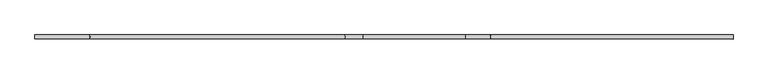
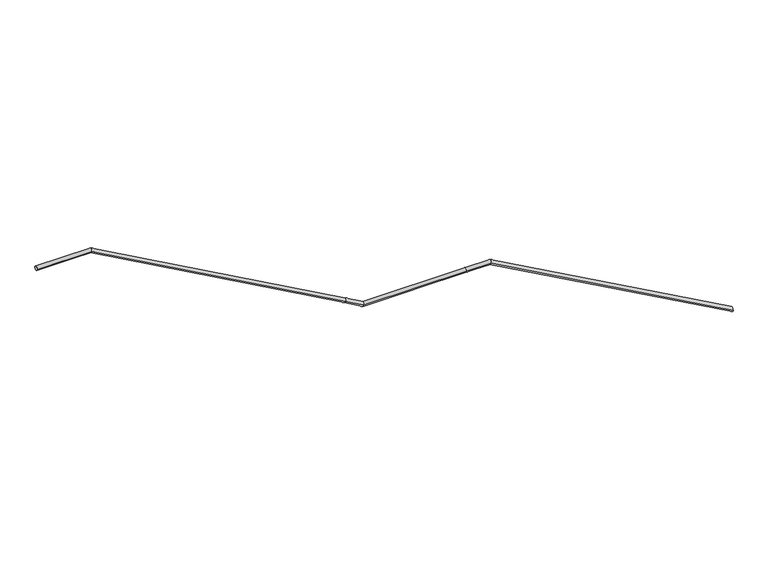
"""IFC4 building model written with IfcOpenShell, lengths in millimetres: railing geometry."""

from ifc_helpers import new_model, si_unit, frame, origin, place, context, project, spatial, circle_curve, ellipse_curve, source, transform, mapped, element, save
from ifc_brep_helpers import plane_surface, cylinder_surface, advanced_brep


def railing_68bfd9d8(model_context):
    return source(origin(), model_context, "Body", "AdvancedBrep", [
        advanced_brep(
        [(-49214.259962, -32714.6722017, -8965.65209), (-49214.259962, -32754.6722017, -8965.65209), (-51613.9883139, -32714.6722017, -7630.0), (-51613.9883139, -32754.6722017, -7630.0), (-51854.259962, -32714.6722017, -7630.0), (-51854.259962, -32754.6722017, -7630.0), (-52874.7169013, -32714.6722017, -7630.0), (-52874.7169013, -32754.6722017, -7630.0), (-53054.259962, -32714.6722017, -7529.5931015), (-53054.259962, -32754.6722017, -7529.5931015), (-55574.8303977, -32714.6722017, -6120.0), (-55574.8303977, -32754.6722017, -6120.0), (-56114.259962, -32714.6722017, -6120.0), (-56114.259962, -32754.6722017, -6120.0)],
        [
            (0, 1, ellipse_curve(frame((-49214.259962, -32734.6722017, -8965.65209), z_axis=(1.0, 0.0, 0.0), x_axis=(0.0, 0.0, -1.0)), 22.8891811, 20.0)),
            (1, 0, ellipse_curve(frame((-49214.259962, -32734.6722017, -8965.65209), z_axis=(1.0, 0.0, 0.0), x_axis=(0.0, 0.0, -1.0)), 22.8891811, 20.0)),
            (0, 2),
            (2, 3, ellipse_curve(frame((-51613.9883139, -32734.6722017, -7630.0), z_axis=(0.9679295563235693, 0.0, -0.25122176258289897), x_axis=(-0.2512217625828991, 0.0, -0.9679295563235691)), 20.6626607, 20.0)),
            (3, 1),
            (3, 2, ellipse_curve(frame((-51613.9883139, -32734.6722017, -7630.0), z_axis=(0.9679295563235693, 0.0, -0.25122176258289897), x_axis=(-0.2512217625828991, 0.0, -0.9679295563235691)), 20.6626607, 20.0)),
            (2, 4),
            (4, 5, circle_curve(frame((-51854.259962, -32734.6722017, -7630.0), z_axis=(1.0, 0.0, 0.0), x_axis=(0.0, -1.0, 0.0)), 20.0)),
            (5, 3),
            (5, 4, circle_curve(frame((-51854.259962, -32734.6722017, -7630.0), z_axis=(1.0, 0.0, 0.0), x_axis=(0.0, -1.0, 0.0)), 20.0)),
            (4, 6),
            (6, 7, ellipse_curve(frame((-52874.7169013, -32734.6722017, -7630.0), z_axis=(0.9676751078707297, 0.0, -0.2522000904190385), x_axis=(0.25220009041903974, 0.0, 0.9676751078707296)), 20.6680939, 20.0)),
            (7, 5),
            (7, 6, ellipse_curve(frame((-52874.7169013, -32734.6722017, -7630.0), z_axis=(0.9676751078707297, 0.0, -0.2522000904190385), x_axis=(0.25220009041903974, 0.0, 0.9676751078707296)), 20.6680939, 20.0)),
            (6, 8),
            (8, 9, circle_curve(frame((-53054.259962, -32734.6722017, -7529.5931015), z_axis=(0.8727902287852576, 0.0, -0.48809549940250196), x_axis=(0.0, -1.0, 0.0)), 20.0)),
            (9, 7),
            (9, 8, circle_curve(frame((-53054.259962, -32734.6722017, -7529.5931015), z_axis=(0.8727902287852576, 0.0, -0.48809549940250196), x_axis=(0.0, -1.0, 0.0)), 20.0)),
            (8, 10),
            (10, 11, ellipse_curve(frame((-55574.8303977, -32734.6722017, -6120.0), z_axis=(0.9676751078707297, 0.0, -0.25220009041903874), x_axis=(-0.25220009041903774, 0.0, -0.9676751078707302)), 20.6680939, 20.0)),
            (11, 9),
            (11, 10, ellipse_curve(frame((-55574.8303977, -32734.6722017, -6120.0), z_axis=(0.9676751078707297, 0.0, -0.25220009041903874), x_axis=(-0.25220009041903774, 0.0, -0.9676751078707302)), 20.6680939, 20.0)),
            (12, 13, circle_curve(frame((-56114.259962, -32734.6722017, -6120.0), z_axis=(-1.0, 0.0, 0.0), x_axis=(0.0, -1.0, 0.0)), 20.0)),
            (13, 12, circle_curve(frame((-56114.259962, -32734.6722017, -6120.0), z_axis=(-1.0, 0.0, 0.0), x_axis=(0.0, -1.0, 0.0)), 20.0)),
            (10, 12),
            (13, 11),
        ],
        [
            plane_surface(frame((-49214.259962, -32734.6722017, -8965.65209), z_axis=(1.0, 0.0, 0.0), x_axis=(0.0, -1.0, 0.0))),
            cylinder_surface(frame((-49214.259962, -32734.6722017, -8965.65209), z_axis=(0.8737752520094831, 0.0, -0.4863299383913809), x_axis=(0.0, -1.0, 0.0)), 20.0),
            cylinder_surface(frame((-51613.9883139, -32734.6722017, -7630.0), z_axis=(1.0, 0.0, 0.0), x_axis=(0.0, -1.0, 0.0)), 20.0),
            cylinder_surface(frame((-51854.259962, -32734.6722017, -7630.0), z_axis=(1.0, 0.0, 0.0), x_axis=(0.0, -1.0, 0.0)), 20.0),
            cylinder_surface(frame((-52874.7169013, -32734.6722017, -7630.0), z_axis=(0.8727902287852576, 0.0, -0.48809549940250196), x_axis=(0.0, -1.0, 0.0)), 20.0),
            cylinder_surface(frame((-53054.259962, -32734.6722017, -7529.5931015), z_axis=(0.8727902287852576, 0.0, -0.4880954994025021), x_axis=(0.0, -1.0, 0.0)), 20.0),
            plane_surface(frame((-56114.259962, -32734.6722017, -6120.0), z_axis=(-1.0, 0.0, 0.0), x_axis=(0.0, -1.0, 0.0))),
            cylinder_surface(frame((-55574.8303977, -32734.6722017, -6120.0), z_axis=(1.0, 0.0, 0.0), x_axis=(0.0, -1.0, 0.0)), 20.0),
        ],
        [
            (0, [[1, 2]]),
            (1, [[-1, 3, 4, 5]]),
            (1, [[-2, -5, 6, -3]]),
            (2, [[-4, 7, 8, 9]]),
            (2, [[-6, -9, 10, -7]]),
            (3, [[-8, 11, 12, 13]]),
            (3, [[-10, -13, 14, -11]]),
            (4, [[-12, 15, 16, 17]]),
            (4, [[-14, -17, 18, -15]]),
            (5, [[-16, 19, 20, 21]]),
            (5, [[-18, -21, 22, -19]]),
            (6, [[23, 24]]),
            (7, [[-20, 25, -24, 26]]),
            (7, [[-22, -26, -23, -25]]),
        ],
    ),
    ])


if __name__ == "__main__":
    model = new_model("IFC4")
    model_context = context("Model", 3, world=origin())
    ifc_project = project(units=[si_unit("LENGTHUNIT", "METRE", prefix="MILLI")], contexts=[model_context])
    site = spatial("IfcSite", under=ifc_project)
    building = spatial("IfcBuilding", under=site)
    placement = place(None, origin())
    railing_shape = railing_68bfd9d8(model_context)
    element("IfcRailing", 1, at=placement, inside=building, context=model_context, shape_type="MappedRepresentation", body=[
        mapped(railing_shape, transform((0.0, 0.0, 0.0), x_axis=(1.0, 0.0, 0.0), y_axis=(0.0, 1.0, 0.0), z_axis=(0.0, 0.0, 1.0))),
    ])
    save(model, "model.ifc")
